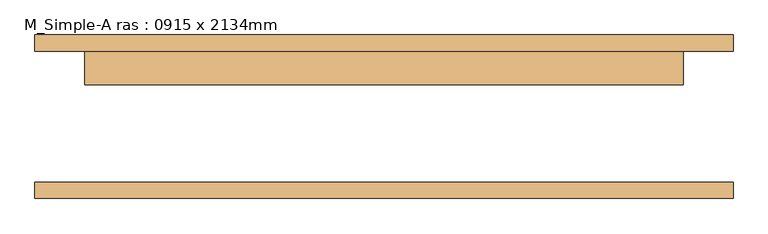
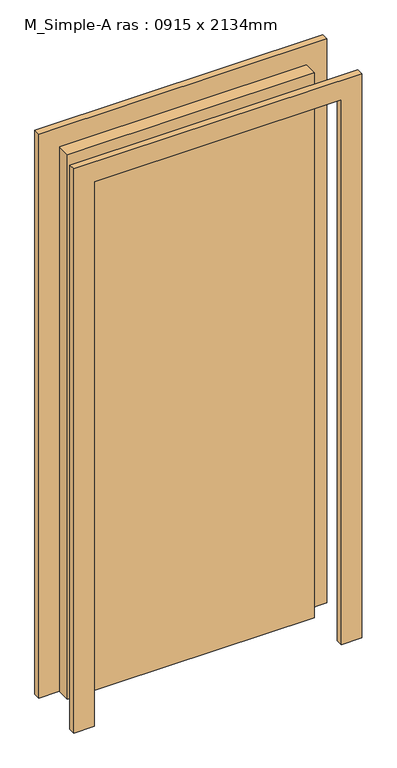
"""IFC4 building model written with IfcOpenShell, lengths in millimetres: door geometry, M_Simple-A ras : 0915 x 2134mm."""

from ifc_helpers import new_model, si_unit, frame, origin, origin_with_axes, place, context, project, spatial, polyline, outline, extrude, source, transform, mapped, element, save


def m_simple_a_ras_0915_x_2134mm_6a9e8738(model_context):
    return source(origin(), model_context, "Body", "SweptSolid", [
        extrude(outline(polyline([(2210.0, -533.5), (0.0, -533.5), (0.0, -457.5), (2134.0, -457.5), (2134.0, 457.5), (0.0, 457.5), (0.0, 533.5), (2210.0, 533.5), (2210.0, -533.5)])), frame((0.0, 100.0, 0.0), z_axis=(0.0, 1.0, 0.0), x_axis=(0.0, 0.0, 1.0)), (0.0, 0.0, 1.0), 25.0),
        extrude(outline(polyline([(2210.0, 533.5), (2210.0, -533.5), (0.0, -533.5), (0.0, -457.5), (2134.0, -457.5), (2134.0, 457.5), (0.0, 457.5), (0.0, 533.5), (2210.0, 533.5)])), frame((0.0, -125.0, 0.0), z_axis=(0.0, 1.0, 0.0), x_axis=(0.0, 0.0, 1.0)), (0.0, 0.0, 1.0), 25.0),
        extrude(outline(polyline([(457.5, 49.0), (-457.5, 49.0), (-457.5, 100.0), (457.5, 100.0), (457.5, 49.0)])), origin_with_axes(), (0.0, 0.0, 1.0), 2134.0),
    ])


if __name__ == "__main__":
    model = new_model("IFC4")
    model_context = context("Model", 3, world=origin())
    ifc_project = project(units=[si_unit("LENGTHUNIT", "METRE", prefix="MILLI")], contexts=[model_context])
    site = spatial("IfcSite", under=ifc_project)
    building = spatial("IfcBuilding", under=site)
    placement = place(None, origin())
    m_simple_a_ras_0915_x_2134mm_shape = m_simple_a_ras_0915_x_2134mm_6a9e8738(model_context)
    element("IfcDoor", 1, ObjectType="M_Simple-A ras : 0915 x 2134mm", at=placement, inside=building, context=model_context, shape_type="MappedRepresentation", body=[
        mapped(m_simple_a_ras_0915_x_2134mm_shape, transform((0.0, 0.0, 0.0), x_axis=(1.0, 0.0, 0.0), y_axis=(0.0, 1.0, 0.0), z_axis=(0.0, 0.0, 1.0))),
    ])
    save(model, "model.ifc")
